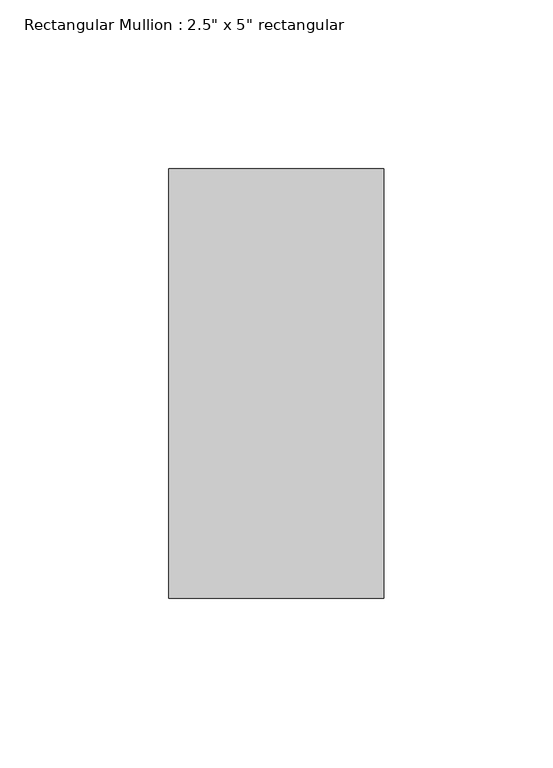
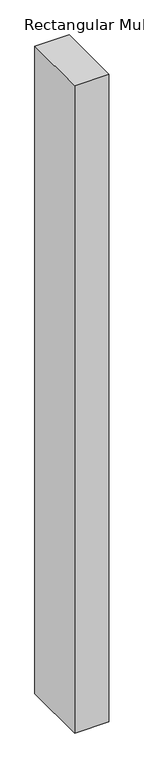
"""IFC4 building model written with IfcOpenShell, lengths in millimetres: member geometry."""

from ifc_helpers import new_model, si_unit, frame, origin, place, context, project, spatial, polyline, outline, extrude, source, transform, mapped, element, save


def member_918e7a66(model_context):
    return source(origin(), model_context, "Body", "SweptSolid", [
        extrude(outline(polyline([(31.75, 63.5), (31.75, -63.5), (-31.75, -63.5), (-31.75, 63.5), (31.75, 63.5)])), frame((0.0, 0.0, -1266.825), z_axis=(0.0, 0.0, 1.0), x_axis=(1.0, 0.0, 0.0)), (0.0, 0.0, 1.0), 1266.825),
    ])


if __name__ == "__main__":
    model = new_model("IFC4")
    model_context = context("Model", 3, world=origin())
    ifc_project = project(units=[si_unit("LENGTHUNIT", "METRE", prefix="MILLI")], contexts=[model_context])
    site = spatial("IfcSite", under=ifc_project)
    building = spatial("IfcBuilding", under=site)
    placement = place(None, origin())
    member_shape = member_918e7a66(model_context)
    element("IfcMember", 1, ObjectType="Rectangular Mullion : 2.5\" x 5\" rectangular", at=placement, inside=building, context=model_context, shape_type="MappedRepresentation", body=[
        mapped(member_shape, transform((0.0, 0.0, 0.0), x_axis=(1.0, 0.0, 0.0), y_axis=(0.0, 1.0, 0.0), z_axis=(0.0, 0.0, 1.0))),
    ])
    save(model, "model.ifc")
